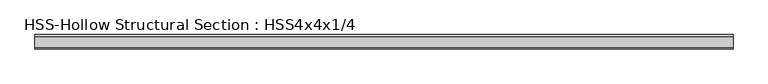
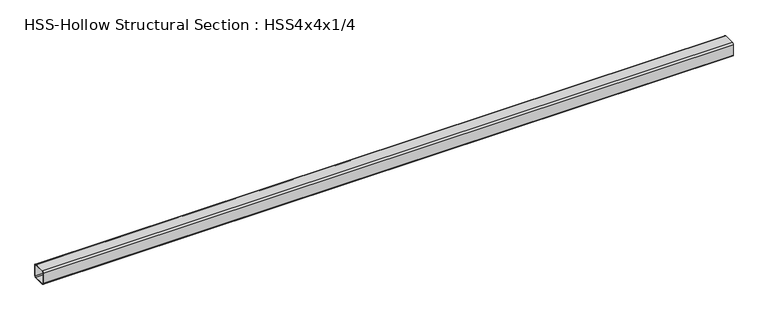
"""IFC4 building model written with IfcOpenShell, lengths in millimetres: member geometry, HSS-Hollow Structural Section : HSS4x4x1/4."""

from ifc_helpers import new_model, si_unit, point, frame, frame_2d, origin, place, context, project, spatial, polyline, circle_curve, trimmed, segment, composite_curve, outline, extrude, source, transform, mapped, element, save


def hss_hollow_structural_section_hss4x4x1_4_f8468ad5(model_context):
    return source(origin(), model_context, "Body", "SweptSolid", [
        extrude(outline(composite_curve([segment(polyline([(50.8, 38.9636), (50.8, -38.9636)]), True, "CONTINUOUS"), segment(trimmed(circle_curve(frame_2d((38.9636, -38.9636)), 11.8364), [point((50.8, -38.9636))], [point((38.9636, -50.8))], False, "CARTESIAN"), True, "CONTINUOUS"), segment(polyline([(38.9636, -50.8), (-38.9636, -50.8)]), True, "CONTINUOUS"), segment(trimmed(circle_curve(frame_2d((-38.9636, -38.9636)), 11.8364), [point((-38.9636, -50.8))], [point((-50.8, -38.9636))], False, "CARTESIAN"), True, "CONTINUOUS"), segment(polyline([(-50.8, -38.9636), (-50.8, 38.9636)]), True, "CONTINUOUS"), segment(trimmed(circle_curve(frame_2d((-38.9636, 38.9636)), 11.8364), [point((-50.8, 38.9636))], [point((-38.9636, 50.8))], False, "CARTESIAN"), True, "CONTINUOUS"), segment(polyline([(-38.9636, 50.8), (38.9636, 50.8)]), True, "CONTINUOUS"), segment(trimmed(circle_curve(frame_2d((38.9636, 38.9636)), 11.8364), [point((38.9636, 50.8))], [point((50.8, 38.9636))], False, "CARTESIAN"), True, "CONTINUOUS")], self_intersect=False), holes=[composite_curve([segment(trimmed(circle_curve(frame_2d((-38.9636, 38.9636)), 5.9182), [point((-38.9636, 44.8818))], [point((-44.8818, 38.9636))], True, "CARTESIAN"), True, "CONTINUOUS"), segment(polyline([(-44.8818, 38.9636), (-44.8818, -38.9636)]), True, "CONTINUOUS"), segment(trimmed(circle_curve(frame_2d((-38.9636, -38.9636)), 5.9182), [point((-44.8818, -38.9636))], [point((-38.9636, -44.8818))], True, "CARTESIAN"), True, "CONTINUOUS"), segment(polyline([(-38.9636, -44.8818), (38.9636, -44.8818)]), True, "CONTINUOUS"), segment(trimmed(circle_curve(frame_2d((38.9636, -38.9636)), 5.9182), [point((38.9636, -44.8818))], [point((44.8818, -38.9636))], True, "CARTESIAN"), True, "CONTINUOUS"), segment(polyline([(44.8818, -38.9636), (44.8818, 38.9636)]), True, "CONTINUOUS"), segment(trimmed(circle_curve(frame_2d((38.9636, 38.9636)), 5.9182), [point((44.8818, 38.9636))], [point((38.9636, 44.8818))], True, "CARTESIAN"), True, "CONTINUOUS"), segment(polyline([(38.9636, 44.8818), (-38.9636, 44.8818)]), True, "CONTINUOUS")], self_intersect=False)]), frame((-2568.5621938, 0.0, 0.0), z_axis=(1.0, 0.0, 0.0), x_axis=(0.0, 1.0, 0.0)), (0.0, 0.0, 1.0), 4913.668741),
    ])


if __name__ == "__main__":
    model = new_model("IFC4")
    model_context = context("Model", 3, world=origin())
    ifc_project = project(units=[si_unit("LENGTHUNIT", "METRE", prefix="MILLI")], contexts=[model_context])
    site = spatial("IfcSite", under=ifc_project)
    building = spatial("IfcBuilding", under=site)
    placement = place(None, origin())
    hss_hollow_structural_section_hss4x4x1_4_shape = hss_hollow_structural_section_hss4x4x1_4_f8468ad5(model_context)
    element("IfcMember", 1, ObjectType="HSS-Hollow Structural Section : HSS4x4x1/4", at=placement, inside=building, context=model_context, shape_type="MappedRepresentation", body=[
        mapped(hss_hollow_structural_section_hss4x4x1_4_shape, transform((0.0, 0.0, 0.0), x_axis=(1.0, 0.0, 0.0), y_axis=(0.0, 1.0, 0.0), z_axis=(0.0, 0.0, 1.0))),
    ])
    save(model, "model.ifc")
